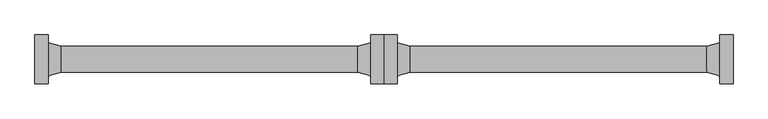
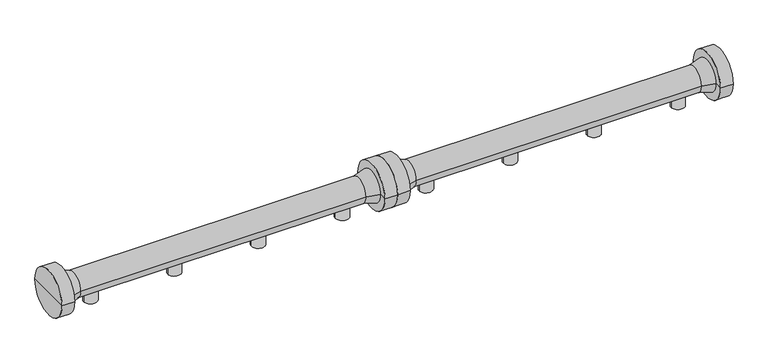
"""IFC4 building model written with IfcOpenShell, lengths in millimetres: proxy geometry."""

from ifc_helpers import new_model, si_unit, frame, origin, place, context, project, spatial, polyline, circle_curve, source, transform, mapped, element, save
from ifc_brep_helpers import plane_surface, cylinder_surface, revolved_surface, advanced_brep


def specialty_equipment_372e5dff(model_context):
    return source(origin(), model_context, "Body", "AdvancedBrep", [
        advanced_brep(
        [(3038.0, 0.0, 0.0), (2958.0, 0.0, 0.0), (2958.0, 0.0, 85.195173), (3038.0, 0.0, 85.195173), (2998.0, 0.0, 0.0), (2998.0, 0.0, 85.195173)],
        [
            (0, 1, circle_curve(frame((2998.0, 0.0, 0.0), z_axis=(0.0, 0.0, 1.0), x_axis=(-1.0, 0.0, 0.0)), 40.0)),
            (1, 2),
            (2, 3, circle_curve(frame((2998.0, 0.0, 85.195173), z_axis=(0.0, 0.0, -1.0), x_axis=(-1.0, 0.0, 0.0)), 40.0)),
            (3, 0),
            (1, 0, circle_curve(frame((2998.0, 0.0, 0.0), z_axis=(0.0, 0.0, 1.0), x_axis=(-1.0, 0.0, 0.0)), 40.0)),
            (3, 2, circle_curve(frame((2998.0, 0.0, 85.195173), z_axis=(0.0, 0.0, -1.0), x_axis=(-1.0, 0.0, 0.0)), 40.0)),
            (4, 1),
            (0, 4),
            (2, 5),
            (5, 3),
        ],
        [
            cylinder_surface(frame((2998.0, 0.0, 1119.4899158), z_axis=(0.0, 0.0, -1.0), x_axis=(-1.0, 0.0, 0.0)), 40.0),
            plane_surface(frame((2998.0, 0.0, 0.0), z_axis=(0.0, 0.0, -1.0), x_axis=(-1.0, 0.0, 0.0))),
            plane_surface(frame((2998.0, 0.0, 85.195173), z_axis=(0.0, 0.0, 1.0), x_axis=(-1.0, 0.0, 0.0))),
        ],
        [
            (0, [[1, 2, 3, 4]]),
            (0, [[5, -4, 6, -2]]),
            (1, [[7, -1, 8]]),
            (1, [[-8, -5, -7]]),
            (2, [[-3, 9, 10]]),
            (2, [[-6, -10, -9]]),
        ],
    ),
        advanced_brep(
        [(2538.0, 0.0, 0.0), (2458.0, 0.0, 0.0), (2458.0, 0.0, 85.195173), (2538.0, 0.0, 85.195173), (2498.0, 0.0, 0.0), (2498.0, 0.0, 85.195173)],
        [
            (0, 1, circle_curve(frame((2498.0, 0.0, 0.0), z_axis=(0.0, 0.0, 1.0), x_axis=(-1.0, 0.0, 0.0)), 40.0)),
            (1, 2),
            (2, 3, circle_curve(frame((2498.0, 0.0, 85.195173), z_axis=(0.0, 0.0, -1.0), x_axis=(-1.0, 0.0, 0.0)), 40.0)),
            (3, 0),
            (1, 0, circle_curve(frame((2498.0, 0.0, 0.0), z_axis=(0.0, 0.0, 1.0), x_axis=(-1.0, 0.0, 0.0)), 40.0)),
            (3, 2, circle_curve(frame((2498.0, 0.0, 85.195173), z_axis=(0.0, 0.0, -1.0), x_axis=(-1.0, 0.0, 0.0)), 40.0)),
            (4, 1),
            (0, 4),
            (2, 5),
            (5, 3),
        ],
        [
            cylinder_surface(frame((2498.0, 0.0, 1119.4899158), z_axis=(0.0, 0.0, -1.0), x_axis=(-1.0, 0.0, 0.0)), 40.0),
            plane_surface(frame((2498.0, 0.0, 0.0), z_axis=(0.0, 0.0, -1.0), x_axis=(-1.0, 0.0, 0.0))),
            plane_surface(frame((2498.0, 0.0, 85.195173), z_axis=(0.0, 0.0, 1.0), x_axis=(-1.0, 0.0, 0.0))),
        ],
        [
            (0, [[1, 2, 3, 4]]),
            (0, [[5, -4, 6, -2]]),
            (1, [[7, -1, 8]]),
            (1, [[-8, -5, -7]]),
            (2, [[-3, 9, 10]]),
            (2, [[-6, -10, -9]]),
        ],
    ),
        advanced_brep(
        [(3538.0, 0.0, 0.0), (3458.0, 0.0, 0.0), (3458.0, 0.0, 85.195173), (3538.0, 0.0, 85.195173), (3498.0, 0.0, 0.0), (3498.0, 0.0, 85.195173)],
        [
            (0, 1, circle_curve(frame((3498.0, 0.0, 0.0), z_axis=(0.0, 0.0, 1.0), x_axis=(-1.0, 0.0, 0.0)), 40.0)),
            (1, 2),
            (2, 3, circle_curve(frame((3498.0, 0.0, 85.195173), z_axis=(0.0, 0.0, -1.0), x_axis=(-1.0, 0.0, 0.0)), 40.0)),
            (3, 0),
            (1, 0, circle_curve(frame((3498.0, 0.0, 0.0), z_axis=(0.0, 0.0, 1.0), x_axis=(-1.0, 0.0, 0.0)), 40.0)),
            (3, 2, circle_curve(frame((3498.0, 0.0, 85.195173), z_axis=(0.0, 0.0, -1.0), x_axis=(-1.0, 0.0, 0.0)), 40.0)),
            (4, 1),
            (0, 4),
            (2, 5),
            (5, 3),
        ],
        [
            cylinder_surface(frame((3498.0, 0.0, 1119.4899158), z_axis=(0.0, 0.0, -1.0), x_axis=(-1.0, 0.0, 0.0)), 40.0),
            plane_surface(frame((3498.0, 0.0, 0.0), z_axis=(0.0, 0.0, -1.0), x_axis=(-1.0, 0.0, 0.0))),
            plane_surface(frame((3498.0, 0.0, 85.195173), z_axis=(0.0, 0.0, 1.0), x_axis=(-1.0, 0.0, 0.0))),
        ],
        [
            (0, [[1, 2, 3, 4]]),
            (0, [[5, -4, 6, -2]]),
            (1, [[7, -1, 8]]),
            (1, [[-8, -5, -7]]),
            (2, [[-3, 9, 10]]),
            (2, [[-6, -10, -9]]),
        ],
    ),
        advanced_brep(
        [(2038.0, 0.0, 0.0), (1958.0, 0.0, 0.0), (1958.0, 0.0, 85.195173), (2038.0, 0.0, 85.195173), (1998.0, 0.0, 0.0), (1998.0, 0.0, 85.195173)],
        [
            (0, 1, circle_curve(frame((1998.0, 0.0, 0.0), z_axis=(0.0, 0.0, 1.0), x_axis=(-1.0, 0.0, 0.0)), 40.0)),
            (1, 2),
            (2, 3, circle_curve(frame((1998.0, 0.0, 85.195173), z_axis=(0.0, 0.0, -1.0), x_axis=(-1.0, 0.0, 0.0)), 40.0)),
            (3, 0),
            (1, 0, circle_curve(frame((1998.0, 0.0, 0.0), z_axis=(0.0, 0.0, 1.0), x_axis=(-1.0, 0.0, 0.0)), 40.0)),
            (3, 2, circle_curve(frame((1998.0, 0.0, 85.195173), z_axis=(0.0, 0.0, -1.0), x_axis=(-1.0, 0.0, 0.0)), 40.0)),
            (4, 1),
            (0, 4),
            (2, 5),
            (5, 3),
        ],
        [
            cylinder_surface(frame((1998.0, 0.0, 1119.4899158), z_axis=(0.0, 0.0, -1.0), x_axis=(-1.0, 0.0, 0.0)), 40.0),
            plane_surface(frame((1998.0, 0.0, 0.0), z_axis=(0.0, 0.0, -1.0), x_axis=(-1.0, 0.0, 0.0))),
            plane_surface(frame((1998.0, 0.0, 85.195173), z_axis=(0.0, 0.0, 1.0), x_axis=(-1.0, 0.0, 0.0))),
        ],
        [
            (0, [[1, 2, 3, 4]]),
            (0, [[5, -4, 6, -2]]),
            (1, [[7, -1, 8]]),
            (1, [[-8, -5, -7]]),
            (2, [[-3, 9, 10]]),
            (2, [[-6, -10, -9]]),
        ],
    ),
        advanced_brep(
        [(1749.0, 0.0, 131.853238), (1749.0, 139.6593353, 131.853238), (1749.0, -139.6593353, 131.853238), (3747.0, -139.6593353, 131.853238), (3747.0, 139.6593353, 131.853238), (3747.0, 0.0, 131.853238), (3672.0, -139.6593353, 131.853238), (3672.0, 139.6593353, 131.853238), (3672.0, -95.0, 131.853238), (3672.0, 95.0, 131.853238), (3596.8943825, -74.9718353, 131.853238), (3596.8943825, 74.9718353, 131.853238), (1899.1056175, -74.9718353, 131.853238), (1899.1056175, 74.9718353, 131.853238), (1824.0, -95.0, 131.853238), (1824.0, 95.0, 131.853238), (1824.0, -139.6593353, 131.853238), (1824.0, 139.6593353, 131.853238)],
        [
            (0, 1),
            (1, 2, circle_curve(frame((1749.0, 0.0, 131.853238), z_axis=(-1.0, 0.0, 0.0), x_axis=(0.0, 1.0, 0.0)), 139.6593353)),
            (2, 0),
            (2, 1, circle_curve(frame((1749.0, 0.0, 131.853238), z_axis=(-1.0, 0.0, 0.0), x_axis=(0.0, 1.0, 0.0)), 139.6593353)),
            (3, 4, circle_curve(frame((3747.0, 0.0, 131.853238), z_axis=(1.0, 0.0, 0.0), x_axis=(0.0, 1.0, 0.0)), 139.6593353)),
            (4, 5),
            (5, 3),
            (4, 3, circle_curve(frame((3747.0, 0.0, 131.853238), z_axis=(1.0, 0.0, 0.0), x_axis=(0.0, 1.0, 0.0)), 139.6593353)),
            (6, 7, circle_curve(frame((3672.0, 0.0, 131.853238), z_axis=(1.0, 0.0, 0.0), x_axis=(0.0, 1.0, 0.0)), 139.6593353)),
            (7, 4),
            (3, 6),
            (7, 6, circle_curve(frame((3672.0, 0.0, 131.853238), z_axis=(1.0, 0.0, 0.0), x_axis=(0.0, 1.0, 0.0)), 139.6593353)),
            (8, 9, circle_curve(frame((3672.0, 0.0, 131.853238), z_axis=(1.0, 0.0, 0.0), x_axis=(0.0, 1.0, 0.0)), 95.0)),
            (9, 7),
            (6, 8),
            (9, 8, circle_curve(frame((3672.0, 0.0, 131.853238), z_axis=(1.0, 0.0, 0.0), x_axis=(0.0, 1.0, 0.0)), 95.0)),
            (10, 11, circle_curve(frame((3596.8943825, 0.0, 131.853238), z_axis=(1.0, 0.0, 0.0), x_axis=(0.0, 1.0, 0.0)), 74.9718353)),
            (11, 9),
            (8, 10),
            (11, 10, circle_curve(frame((3596.8943825, 0.0, 131.853238), z_axis=(1.0, 0.0, 0.0), x_axis=(0.0, 1.0, 0.0)), 74.9718353)),
            (12, 13, circle_curve(frame((1899.1056175, 0.0, 131.853238), z_axis=(1.0, 0.0, 0.0), x_axis=(0.0, 1.0, 0.0)), 74.9718353)),
            (13, 11),
            (10, 12),
            (13, 12, circle_curve(frame((1899.1056175, 0.0, 131.853238), z_axis=(1.0, 0.0, 0.0), x_axis=(0.0, 1.0, 0.0)), 74.9718353)),
            (14, 15, circle_curve(frame((1824.0, 0.0, 131.853238), z_axis=(1.0, 0.0, 0.0), x_axis=(0.0, 1.0, 0.0)), 95.0)),
            (15, 13),
            (12, 14),
            (15, 14, circle_curve(frame((1824.0, 0.0, 131.853238), z_axis=(1.0, 0.0, 0.0), x_axis=(0.0, 1.0, 0.0)), 95.0)),
            (16, 17, circle_curve(frame((1824.0, 0.0, 131.853238), z_axis=(1.0, 0.0, 0.0), x_axis=(0.0, 1.0, 0.0)), 139.6593353)),
            (17, 15),
            (14, 16),
            (17, 16, circle_curve(frame((1824.0, 0.0, 131.853238), z_axis=(1.0, 0.0, 0.0), x_axis=(0.0, 1.0, 0.0)), 139.6593353)),
            (1, 17),
            (16, 2),
        ],
        [
            plane_surface(frame((1749.0, 0.0, 131.853238), z_axis=(-1.0, 0.0, 0.0), x_axis=(0.0, 1.0, 0.0))),
            plane_surface(frame((3747.0, 0.0, 131.853238), z_axis=(1.0, 0.0, 0.0), x_axis=(0.0, 1.0, 0.0))),
            cylinder_surface(frame((4772.0, 0.0, 131.853238), z_axis=(-1.0, 0.0, 0.0), x_axis=(0.0, 1.0, 0.0)), 139.6593353),
            plane_surface(frame((3672.0, 0.0, 131.853238), z_axis=(-1.0, 0.0, 0.0), x_axis=(0.0, 1.0, 0.0))),
            revolved_surface(polyline([(3672.0, 95.0, 131.853238), (3596.8943825, 74.9718353, 131.853238)]), (4772.0, 0.0, 131.853238), (-1.0, 0.0, 0.0)),
            cylinder_surface(frame((4772.0, 0.0, 131.853238), z_axis=(-1.0, 0.0, 0.0), x_axis=(0.0, 1.0, 0.0)), 74.9718353),
            revolved_surface(polyline([(1899.1056175, 74.9718353, 131.853238), (1824.0, 95.0, 131.853238)]), (4772.0, 0.0, 131.853238), (-1.0, 0.0, 0.0)),
            plane_surface(frame((1824.0, 0.0, 131.853238), z_axis=(1.0, 0.0, 0.0), x_axis=(0.0, 1.0, 0.0))),
        ],
        [
            (0, [[1, 2, 3]]),
            (0, [[-3, 4, -1]]),
            (1, [[5, 6, 7]]),
            (1, [[8, -7, -6]]),
            (2, [[9, 10, -5, 11]]),
            (2, [[12, -11, -8, -10]]),
            (3, [[13, 14, -9, 15]]),
            (3, [[16, -15, -12, -14]]),
            (4, [[17, 18, -13, 19]]),
            (4, [[20, -19, -16, -18]]),
            (5, [[21, 22, -17, 23]]),
            (5, [[24, -23, -20, -22]]),
            (6, [[25, 26, -21, 27]]),
            (6, [[28, -27, -24, -26]]),
            (7, [[29, 30, -25, 31]]),
            (7, [[32, -31, -28, -30]]),
            (2, [[-2, 33, -29, 34]]),
            (2, [[-4, -34, -32, -33]]),
        ],
    ),
        advanced_brep(
        [(1040.0, 0.0, 0.046762), (960.0, 0.0, 0.046762), (960.0, 0.0, 85.241935), (1040.0, 0.0, 85.241935), (1000.0, 0.0, 0.046762), (1000.0, 0.0, 85.241935)],
        [
            (0, 1, circle_curve(frame((1000.0, 0.0, 0.046762), z_axis=(0.0, 0.0, 1.0), x_axis=(-1.0, 0.0, 0.0)), 40.0)),
            (1, 2),
            (2, 3, circle_curve(frame((1000.0, 0.0, 85.241935), z_axis=(0.0, 0.0, -1.0), x_axis=(-1.0, 0.0, 0.0)), 40.0)),
            (3, 0),
            (1, 0, circle_curve(frame((1000.0, 0.0, 0.046762), z_axis=(0.0, 0.0, 1.0), x_axis=(-1.0, 0.0, 0.0)), 40.0)),
            (3, 2, circle_curve(frame((1000.0, 0.0, 85.241935), z_axis=(0.0, 0.0, -1.0), x_axis=(-1.0, 0.0, 0.0)), 40.0)),
            (4, 1),
            (0, 4),
            (2, 5),
            (5, 3),
        ],
        [
            cylinder_surface(frame((1000.0, 0.0, 1119.5366778), z_axis=(0.0, 0.0, -1.0), x_axis=(-1.0, 0.0, 0.0)), 40.0),
            plane_surface(frame((1000.0, 0.0, 0.046762), z_axis=(0.0, 0.0, -1.0), x_axis=(-1.0, 0.0, 0.0))),
            plane_surface(frame((1000.0, 0.0, 85.241935), z_axis=(0.0, 0.0, 1.0), x_axis=(-1.0, 0.0, 0.0))),
        ],
        [
            (0, [[1, 2, 3, 4]]),
            (0, [[5, -4, 6, -2]]),
            (1, [[7, -1, 8]]),
            (1, [[-8, -5, -7]]),
            (2, [[-3, 9, 10]]),
            (2, [[-6, -10, -9]]),
        ],
    ),
        advanced_brep(
        [(540.0, 0.0, 0.046762), (460.0, 0.0, 0.046762), (460.0, 0.0, 85.241935), (540.0, 0.0, 85.241935), (500.0, 0.0, 0.046762), (500.0, 0.0, 85.241935)],
        [
            (0, 1, circle_curve(frame((500.0, 0.0, 0.046762), z_axis=(0.0, 0.0, 1.0), x_axis=(-1.0, 0.0, 0.0)), 40.0)),
            (1, 2),
            (2, 3, circle_curve(frame((500.0, 0.0, 85.241935), z_axis=(0.0, 0.0, -1.0), x_axis=(-1.0, 0.0, 0.0)), 40.0)),
            (3, 0),
            (1, 0, circle_curve(frame((500.0, 0.0, 0.046762), z_axis=(0.0, 0.0, 1.0), x_axis=(-1.0, 0.0, 0.0)), 40.0)),
            (3, 2, circle_curve(frame((500.0, 0.0, 85.241935), z_axis=(0.0, 0.0, -1.0), x_axis=(-1.0, 0.0, 0.0)), 40.0)),
            (4, 1),
            (0, 4),
            (2, 5),
            (5, 3),
        ],
        [
            cylinder_surface(frame((500.0, 0.0, 1119.5366778), z_axis=(0.0, 0.0, -1.0), x_axis=(-1.0, 0.0, 0.0)), 40.0),
            plane_surface(frame((500.0, 0.0, 0.046762), z_axis=(0.0, 0.0, -1.0), x_axis=(-1.0, 0.0, 0.0))),
            plane_surface(frame((500.0, 0.0, 85.241935), z_axis=(0.0, 0.0, 1.0), x_axis=(-1.0, 0.0, 0.0))),
        ],
        [
            (0, [[1, 2, 3, 4]]),
            (0, [[5, -4, 6, -2]]),
            (1, [[7, -1, 8]]),
            (1, [[-8, -5, -7]]),
            (2, [[-3, 9, 10]]),
            (2, [[-6, -10, -9]]),
        ],
    ),
        advanced_brep(
        [(1540.0, 0.0, 0.046762), (1460.0, 0.0, 0.046762), (1460.0, 0.0, 85.241935), (1540.0, 0.0, 85.241935), (1500.0, 0.0, 0.046762), (1500.0, 0.0, 85.241935)],
        [
            (0, 1, circle_curve(frame((1500.0, 0.0, 0.046762), z_axis=(0.0, 0.0, 1.0), x_axis=(-1.0, 0.0, 0.0)), 40.0)),
            (1, 2),
            (2, 3, circle_curve(frame((1500.0, 0.0, 85.241935), z_axis=(0.0, 0.0, -1.0), x_axis=(-1.0, 0.0, 0.0)), 40.0)),
            (3, 0),
            (1, 0, circle_curve(frame((1500.0, 0.0, 0.046762), z_axis=(0.0, 0.0, 1.0), x_axis=(-1.0, 0.0, 0.0)), 40.0)),
            (3, 2, circle_curve(frame((1500.0, 0.0, 85.241935), z_axis=(0.0, 0.0, -1.0), x_axis=(-1.0, 0.0, 0.0)), 40.0)),
            (4, 1),
            (0, 4),
            (2, 5),
            (5, 3),
        ],
        [
            cylinder_surface(frame((1500.0, 0.0, 1119.5366778), z_axis=(0.0, 0.0, -1.0), x_axis=(-1.0, 0.0, 0.0)), 40.0),
            plane_surface(frame((1500.0, 0.0, 0.046762), z_axis=(0.0, 0.0, -1.0), x_axis=(-1.0, 0.0, 0.0))),
            plane_surface(frame((1500.0, 0.0, 85.241935), z_axis=(0.0, 0.0, 1.0), x_axis=(-1.0, 0.0, 0.0))),
        ],
        [
            (0, [[1, 2, 3, 4]]),
            (0, [[5, -4, 6, -2]]),
            (1, [[7, -1, 8]]),
            (1, [[-8, -5, -7]]),
            (2, [[-3, 9, 10]]),
            (2, [[-6, -10, -9]]),
        ],
    ),
        advanced_brep(
        [(40.0, 0.0, 0.046762), (-40.0, 0.0, 0.046762), (-40.0, 0.0, 85.241935), (40.0, 0.0, 85.241935), (0.0, 0.0, 0.046762), (0.0, 0.0, 85.241935)],
        [
            (0, 1, circle_curve(frame((0.0, 0.0, 0.046762), z_axis=(0.0, 0.0, 1.0), x_axis=(-1.0, 0.0, 0.0)), 40.0)),
            (1, 2),
            (2, 3, circle_curve(frame((0.0, 0.0, 85.241935), z_axis=(0.0, 0.0, -1.0), x_axis=(-1.0, 0.0, 0.0)), 40.0)),
            (3, 0),
            (1, 0, circle_curve(frame((0.0, 0.0, 0.046762), z_axis=(0.0, 0.0, 1.0), x_axis=(-1.0, 0.0, 0.0)), 40.0)),
            (3, 2, circle_curve(frame((0.0, 0.0, 85.241935), z_axis=(0.0, 0.0, -1.0), x_axis=(-1.0, 0.0, 0.0)), 40.0)),
            (4, 1),
            (0, 4),
            (2, 5),
            (5, 3),
        ],
        [
            cylinder_surface(frame((0.0, 0.0, 1119.5366778), z_axis=(0.0, 0.0, -1.0), x_axis=(-1.0, 0.0, 0.0)), 40.0),
            plane_surface(frame((0.0, 0.0, 0.046762), z_axis=(0.0, 0.0, -1.0), x_axis=(-1.0, 0.0, 0.0))),
            plane_surface(frame((0.0, 0.0, 85.241935), z_axis=(0.0, 0.0, 1.0), x_axis=(-1.0, 0.0, 0.0))),
        ],
        [
            (0, [[1, 2, 3, 4]]),
            (0, [[5, -4, 6, -2]]),
            (1, [[7, -1, 8]]),
            (1, [[-8, -5, -7]]),
            (2, [[-3, 9, 10]]),
            (2, [[-6, -10, -9]]),
        ],
    ),
        advanced_brep(
        [(-249.0, 0.0, 131.9), (-249.0, 139.6593353, 131.9), (-249.0, -139.6593353, 131.9), (1749.0, -139.6593353, 131.9), (1749.0, 139.6593353, 131.9), (1749.0, 0.0, 131.9), (1674.0, -139.6593353, 131.9), (1674.0, 139.6593353, 131.9), (1674.0, -95.0, 131.9), (1674.0, 95.0, 131.9), (1598.8943825, -74.9718353, 131.9), (1598.8943825, 74.9718353, 131.9), (-98.8943825, -74.9718353, 131.9), (-98.8943825, 74.9718353, 131.9), (-174.0, -95.0, 131.9), (-174.0, 95.0, 131.9), (-174.0, -139.6593353, 131.9), (-174.0, 139.6593353, 131.9)],
        [
            (0, 1),
            (1, 2, circle_curve(frame((-249.0, 0.0, 131.9), z_axis=(-1.0, 0.0, 0.0), x_axis=(0.0, 1.0, 0.0)), 139.6593353)),
            (2, 0),
            (2, 1, circle_curve(frame((-249.0, 0.0, 131.9), z_axis=(-1.0, 0.0, 0.0), x_axis=(0.0, 1.0, 0.0)), 139.6593353)),
            (3, 4, circle_curve(frame((1749.0, 0.0, 131.9), z_axis=(1.0, 0.0, 0.0), x_axis=(0.0, 1.0, 0.0)), 139.6593353)),
            (4, 5),
            (5, 3),
            (4, 3, circle_curve(frame((1749.0, 0.0, 131.9), z_axis=(1.0, 0.0, 0.0), x_axis=(0.0, 1.0, 0.0)), 139.6593353)),
            (6, 7, circle_curve(frame((1674.0, 0.0, 131.9), z_axis=(1.0, 0.0, 0.0), x_axis=(0.0, 1.0, 0.0)), 139.6593353)),
            (7, 4),
            (3, 6),
            (7, 6, circle_curve(frame((1674.0, 0.0, 131.9), z_axis=(1.0, 0.0, 0.0), x_axis=(0.0, 1.0, 0.0)), 139.6593353)),
            (8, 9, circle_curve(frame((1674.0, 0.0, 131.9), z_axis=(1.0, 0.0, 0.0), x_axis=(0.0, 1.0, 0.0)), 95.0)),
            (9, 7),
            (6, 8),
            (9, 8, circle_curve(frame((1674.0, 0.0, 131.9), z_axis=(1.0, 0.0, 0.0), x_axis=(0.0, 1.0, 0.0)), 95.0)),
            (10, 11, circle_curve(frame((1598.8943825, 0.0, 131.9), z_axis=(1.0, 0.0, 0.0), x_axis=(0.0, 1.0, 0.0)), 74.9718353)),
            (11, 9),
            (8, 10),
            (11, 10, circle_curve(frame((1598.8943825, 0.0, 131.9), z_axis=(1.0, 0.0, 0.0), x_axis=(0.0, 1.0, 0.0)), 74.9718353)),
            (12, 13, circle_curve(frame((-98.8943825, 0.0, 131.9), z_axis=(1.0, 0.0, 0.0), x_axis=(0.0, 1.0, 0.0)), 74.9718353)),
            (13, 11),
            (10, 12),
            (13, 12, circle_curve(frame((-98.8943825, 0.0, 131.9), z_axis=(1.0, 0.0, 0.0), x_axis=(0.0, 1.0, 0.0)), 74.9718353)),
            (14, 15, circle_curve(frame((-174.0, 0.0, 131.9), z_axis=(1.0, 0.0, 0.0), x_axis=(0.0, 1.0, 0.0)), 95.0)),
            (15, 13),
            (12, 14),
            (15, 14, circle_curve(frame((-174.0, 0.0, 131.9), z_axis=(1.0, 0.0, 0.0), x_axis=(0.0, 1.0, 0.0)), 95.0)),
            (16, 17, circle_curve(frame((-174.0, 0.0, 131.9), z_axis=(1.0, 0.0, 0.0), x_axis=(0.0, 1.0, 0.0)), 139.6593353)),
            (17, 15),
            (14, 16),
            (17, 16, circle_curve(frame((-174.0, 0.0, 131.9), z_axis=(1.0, 0.0, 0.0), x_axis=(0.0, 1.0, 0.0)), 139.6593353)),
            (1, 17),
            (16, 2),
        ],
        [
            plane_surface(frame((-249.0, 0.0, 131.9), z_axis=(-1.0, 0.0, 0.0), x_axis=(0.0, 1.0, 0.0))),
            plane_surface(frame((1749.0, 0.0, 131.9), z_axis=(1.0, 0.0, 0.0), x_axis=(0.0, 1.0, 0.0))),
            cylinder_surface(frame((2774.0, 0.0, 131.9), z_axis=(-1.0, 0.0, 0.0), x_axis=(0.0, 1.0, 0.0)), 139.6593353),
            plane_surface(frame((1674.0, 0.0, 131.9), z_axis=(-1.0, 0.0, 0.0), x_axis=(0.0, 1.0, 0.0))),
            revolved_surface(polyline([(1674.0, 95.0, 131.9), (1598.8943825, 74.9718353, 131.9)]), (2774.0, 0.0, 131.9), (-1.0, 0.0, 0.0)),
            cylinder_surface(frame((2774.0, 0.0, 131.9), z_axis=(-1.0, 0.0, 0.0), x_axis=(0.0, 1.0, 0.0)), 74.9718353),
            revolved_surface(polyline([(-98.8943825, 74.9718353, 131.9), (-174.0, 95.0, 131.9)]), (2774.0, 0.0, 131.9), (-1.0, 0.0, 0.0)),
            plane_surface(frame((-174.0, 0.0, 131.9), z_axis=(1.0, 0.0, 0.0), x_axis=(0.0, 1.0, 0.0))),
        ],
        [
            (0, [[1, 2, 3]]),
            (0, [[-3, 4, -1]]),
            (1, [[5, 6, 7]]),
            (1, [[8, -7, -6]]),
            (2, [[9, 10, -5, 11]]),
            (2, [[12, -11, -8, -10]]),
            (3, [[13, 14, -9, 15]]),
            (3, [[16, -15, -12, -14]]),
            (4, [[17, 18, -13, 19]]),
            (4, [[20, -19, -16, -18]]),
            (5, [[21, 22, -17, 23]]),
            (5, [[24, -23, -20, -22]]),
            (6, [[25, 26, -21, 27]]),
            (6, [[28, -27, -24, -26]]),
            (7, [[29, 30, -25, 31]]),
            (7, [[32, -31, -28, -30]]),
            (2, [[-2, 33, -29, 34]]),
            (2, [[-4, -34, -32, -33]]),
        ],
    ),
    ])


if __name__ == "__main__":
    model = new_model("IFC4")
    model_context = context("Model", 3, world=origin())
    ifc_project = project(units=[si_unit("LENGTHUNIT", "METRE", prefix="MILLI")], contexts=[model_context])
    site = spatial("IfcSite", under=ifc_project)
    building = spatial("IfcBuilding", under=site)
    placement = place(None, origin())
    specialty_equipment_shape = specialty_equipment_372e5dff(model_context)
    element("IfcBuildingElementProxy", 1, Name="Specialty Equipment", at=placement, inside=building, context=model_context, shape_type="MappedRepresentation", body=[
        mapped(specialty_equipment_shape, transform((0.0, 0.0, 0.0), x_axis=(1.0, 0.0, 0.0), y_axis=(0.0, 1.0, 0.0), z_axis=(0.0, 0.0, 1.0))),
    ])
    save(model, "model.ifc")
